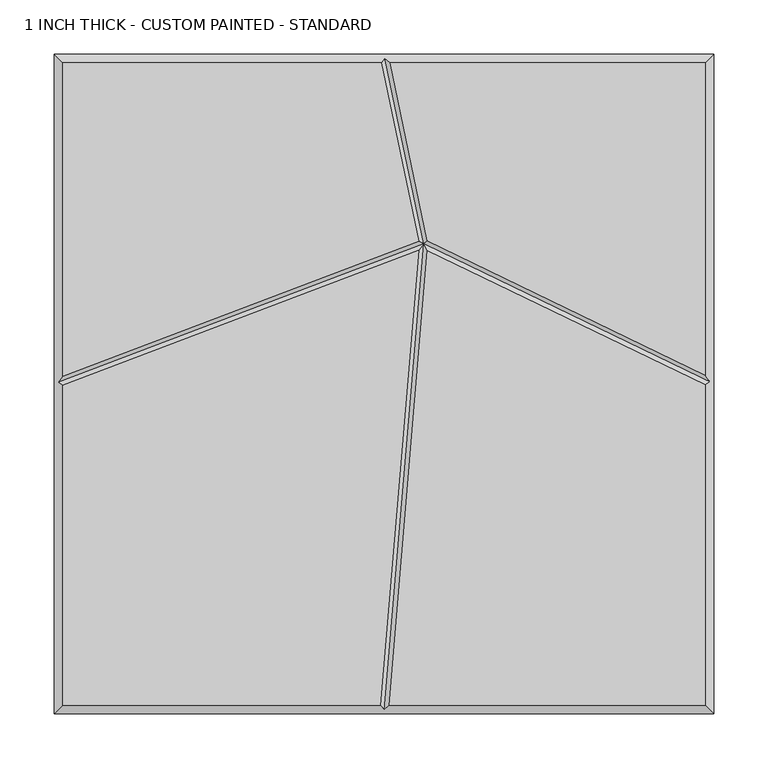
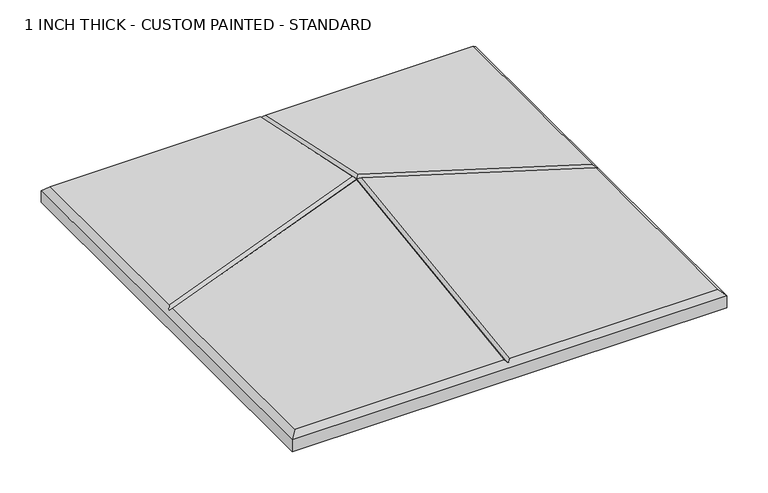
"""IFC4 building model written with IfcOpenShell, lengths in millimetres: proxy geometry, 1 INCH THICK - CUSTOM PAINTED - STANDARD."""

from ifc_helpers import new_model, si_unit, origin, place, context, project, spatial, faceted_brep, source, transform, mapped, element, save


def proxy_1_inch_thick_custom_painted_standard_ad7d02f3(model_context):
    return source(origin(), model_context, "Body", "Brep", [
        faceted_brep([(-296.799, -1.2448936, 25.4), (-296.799, -296.799, 25.4), (-3.3400901, -296.799, 25.4), (32.0932726, 123.4506539, 25.4), (-296.799, 296.799, 25.4), (-296.799, 7.3118593, 25.4), (31.9984357, 131.9714505, 25.4), (-2.4162247, 296.799, 25.4), (296.799, -296.799, 25.4), (296.799, -0.5803511, 25.4), (40.1110006, 123.3123478, 25.4), (4.6892992, -296.799, 25.4), (296.799, 8.3038558, 25.4), (296.799, 296.799, 25.4), (5.757313, 296.799, 25.4), (40.1265394, 132.1890548, 25.4), (-304.8, 304.8, 0.0), (304.8, 304.8, 0.0), (304.8, -304.8, 0.0), (-304.8, -304.8, 0.0), (-304.8, -304.8, 17.399), (-304.8, 304.8, 17.399), (304.8, -304.8, 17.399), (304.8, 304.8, 17.399), (0.8352721, 300.7995, 21.3995), (-300.7995, 1.5167414, 21.3995), (0.3373023, -300.7995, 21.3995), (300.7995, 1.9308762, 21.3995), (36.6131869, 129.4427015, 21.3995)], [[[0, 1, 2, 3]], [[4, 5, 6, 7]], [[8, 9, 10, 11]], [[12, 13, 14, 15]], [[16, 17, 18, 19]], [[16, 19, 20, 21]], [[19, 18, 22, 20]], [[18, 17, 23, 22]], [[17, 16, 21, 23]], [[21, 4, 7, 24, 14, 13, 23]], [[4, 21, 20, 1, 0, 25, 5]], [[1, 20, 22, 8, 11, 26, 2]], [[23, 13, 12, 27, 9, 8, 22]], [[27, 28, 10, 9]], [[28, 27, 12, 15]], [[28, 25, 0, 3]], [[25, 28, 6, 5]], [[24, 28, 15, 14]], [[28, 24, 7, 6]], [[28, 26, 11, 10]], [[26, 28, 3, 2]]]),
    ])


if __name__ == "__main__":
    model = new_model("IFC4")
    model_context = context("Model", 3, world=origin())
    ifc_project = project(units=[si_unit("LENGTHUNIT", "METRE", prefix="MILLI")], contexts=[model_context])
    site = spatial("IfcSite", under=ifc_project)
    building = spatial("IfcBuilding", under=site)
    placement = place(None, origin())
    proxy_1_inch_thick_custom_painted_standard_shape = proxy_1_inch_thick_custom_painted_standard_ad7d02f3(model_context)
    element("IfcBuildingElementProxy", 1, Name="1 INCH THICK - CUSTOM PAINTED - STANDARD", ObjectType="1 INCH THICK - CUSTOM PAINTED - STANDARD", at=placement, inside=building, context=model_context, shape_type="MappedRepresentation", body=[
        mapped(proxy_1_inch_thick_custom_painted_standard_shape, transform((0.0, 0.0, 0.0), x_axis=(1.0, 0.0, 0.0), y_axis=(0.0, 1.0, 0.0), z_axis=(0.0, 0.0, 1.0))),
    ])
    save(model, "model.ifc")
